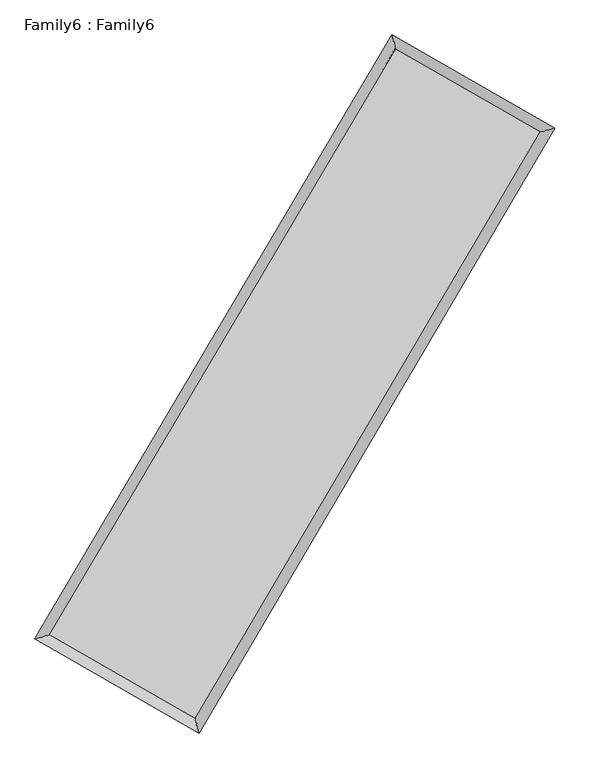
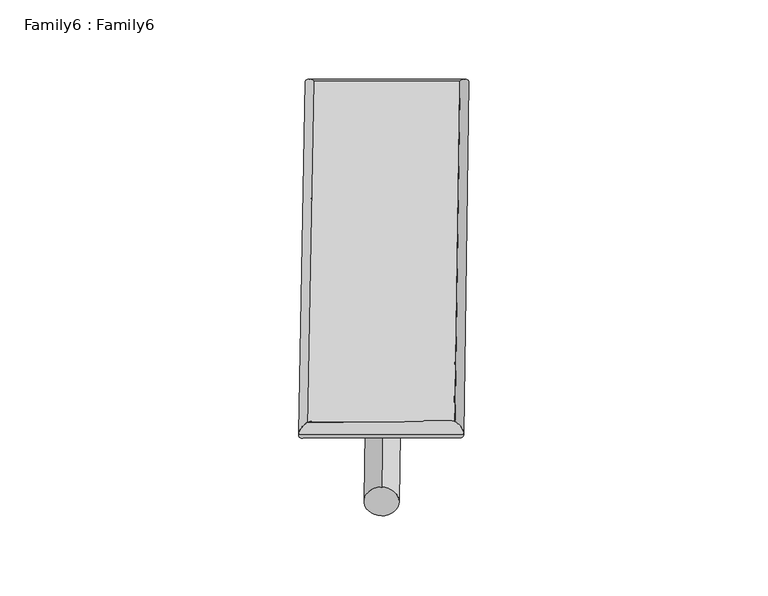
"""IFC4 building model written with IfcOpenShell, lengths in millimetres: plate geometry, Family6 : Family6."""

import ifcopenshell
import ifcopenshell.guid

model = None  # the IFC model being written
_history = None  # IfcOwnerHistory: only IFC2X3 demands one
_inside = {}  # id of a spatial element -> (the spatial element, [elements in it])
_under = {}  # id of a project, library or spatial element -> (it, [spatial elements below it])
_declared = {}  # id of a project -> (the project, [libraries it declares])
_typed = {}  # id of a type object -> (the type object, [elements of that type])
_made_of = {}  # id of a material, layer set ... -> (it, [elements and type objects made of it])


def new_model(schema):
    """Start an empty IFC model of exactly this schema.

    Asked for "IFC4X3", IfcOpenShell would pick the latest addendum, in which some entities
    have other attributes; the version numbers below select the first issue.
    IFC2X3 requires an IfcOwnerHistory on every rooted entity: one is made here for all.
    """
    global model, _history
    if schema == "IFC4X3":
        model = ifcopenshell.file(schema_version=(4, 3, 0, 0))
    else:
        model = ifcopenshell.file(schema=schema)
    _inside.clear()
    _under.clear()
    _declared.clear()
    _typed.clear()
    _made_of.clear()
    _history = None
    if model.schema == "IFC2X3":
        org = make("IfcOrganization", Name="unknown")
        user = make(
            "IfcPersonAndOrganization",
            ThePerson=make("IfcPerson", FamilyName="unknown"),
            TheOrganization=org,
        )
        app = make(
            "IfcApplication",
            ApplicationDeveloper=org,
            Version="unknown",
            ApplicationFullName="unknown",
            ApplicationIdentifier="unknown",
        )
        _history = make(
            "IfcOwnerHistory",
            OwningUser=user,
            OwningApplication=app,
            ChangeAction="ADDED",
            CreationDate=0,
        )
    return model


def make(cls, **values):
    """One entity of the class cls with the attributes given. An attribute that is None is left unset."""
    return model.create_entity(
        cls, **{name: value for name, value in values.items() if value is not None}
    )


def rooted(cls, **values):
    """An entity with a GlobalId (a new one), such as an element, a storey or a relation."""
    return make(cls, GlobalId=ifcopenshell.guid.new(), OwnerHistory=_history, **values)


def si_unit(unit_type, name, prefix=None):
    """IfcSIUnit, for example si_unit("LENGTHUNIT", "METRE", prefix="MILLI")."""
    return make("IfcSIUnit", UnitType=unit_type, Prefix=prefix, Name=name)


def assignment(units):
    """IfcUnitAssignment: the units of a project."""
    return None if units is None else make("IfcUnitAssignment", Units=units)


def point(xyz):
    """IfcCartesianPoint."""
    return None if xyz is None else make("IfcCartesianPoint", Coordinates=xyz)


def direction(xyz):
    """IfcDirection."""
    return None if xyz is None else make("IfcDirection", DirectionRatios=xyz)


def frame(location, z_axis=None, x_axis=None):
    """IfcAxis2Placement3D, a coordinate frame: its origin and axes. An axis left out is left unset."""
    return make(
        "IfcAxis2Placement3D",
        Location=point(location),
        Axis=direction(z_axis),
        RefDirection=direction(x_axis),
    )


def frame_2d(location, x_axis=None):
    """IfcAxis2Placement2D, a coordinate frame in the plane: its origin and x axis."""
    return make(
        "IfcAxis2Placement2D", Location=point(location), RefDirection=direction(x_axis)
    )


def origin():
    """The frame at (0, 0, 0) with its axes left unset."""
    return frame((0.0, 0.0, 0.0))


def origin_2d():
    """The frame at (0, 0) in the plane with its x axis left unset."""
    return frame_2d((0.0, 0.0))


def place(relative_to, where):
    """IfcLocalPlacement: puts the frame where relative to a parent placement (None: the world)."""
    return make(
        "IfcLocalPlacement", PlacementRelTo=relative_to, RelativePlacement=where
    )


def context(
    kind, dimensions, precision=None, world=None, true_north=None, identifier=None
):
    """IfcGeometricRepresentationContext, for example the 3D "Model" context."""
    return make(
        "IfcGeometricRepresentationContext",
        ContextIdentifier=identifier,
        ContextType=kind,
        CoordinateSpaceDimension=dimensions,
        Precision=precision,
        WorldCoordinateSystem=world,
        TrueNorth=true_north,
    )


def project(units=None, contexts=None):
    """IfcProject with its units and contexts."""
    return rooted(
        "IfcProject",
        Name="project",
        RepresentationContexts=contexts,
        UnitsInContext=assignment(units),
    )


def spatial(cls, under=None, at=None, **own):
    """A site, building, storey or space (cls), placed at a placement, below another one or the project."""
    s = rooted(cls, ObjectPlacement=at, **own)
    if under is not None:
        _under.setdefault(under.id(), (under, []))[1].append(s)
    return s


def circle_curve(where, radius):
    """IfcCircle in the frame where."""
    return make("IfcCircle", Position=where, Radius=radius)


def ellipse_curve(where, semi_axis1, semi_axis2):
    """IfcEllipse in the frame where."""
    return make(
        "IfcEllipse", Position=where, SemiAxis1=semi_axis1, SemiAxis2=semi_axis2
    )


def trimmed(basis, trim1, trim2, sense, master):
    """IfcTrimmedCurve: the piece of a basis curve between two trims."""
    return make(
        "IfcTrimmedCurve",
        BasisCurve=basis,
        Trim1=trim1,
        Trim2=trim2,
        SenseAgreement=sense,
        MasterRepresentation=master,
    )


def segment(curve, same_sense, transition):
    """IfcCompositeCurveSegment."""
    return make(
        "IfcCompositeCurveSegment",
        Transition=transition,
        SameSense=same_sense,
        ParentCurve=curve,
    )


def composite_curve(segments, self_intersect=None):
    """IfcCompositeCurve: segments joined end to end."""
    return make("IfcCompositeCurve", Segments=segments, SelfIntersect=self_intersect)


def outline(outer, holes=None, kind="AREA"):
    """IfcArbitraryClosedProfileDef: a profile drawn as a closed curve; with holes, ...WithVoids."""
    if holes is None:
        return make("IfcArbitraryClosedProfileDef", ProfileType=kind, OuterCurve=outer)
    return make(
        "IfcArbitraryProfileDefWithVoids",
        ProfileType=kind,
        OuterCurve=outer,
        InnerCurves=holes,
    )


def extrude(swept, where, along, depth):
    """IfcExtrudedAreaSolid: the profile swept, set in the frame where, extruded along a direction by depth."""
    return make(
        "IfcExtrudedAreaSolid",
        SweptArea=swept,
        Position=where,
        ExtrudedDirection=direction(along),
        Depth=depth,
    )


def shape(context_of_items, identifier, shape_type, items):
    """IfcShapeRepresentation: the items that make up one representation, for example the "Body"."""
    return make(
        "IfcShapeRepresentation",
        ContextOfItems=context_of_items,
        RepresentationIdentifier=identifier,
        RepresentationType=shape_type,
        Items=items,
    )


def source(mapping_origin, context_of_items, identifier, shape_type, items):
    """IfcRepresentationMap: a shape defined once, which mapped items show again and again."""
    return make(
        "IfcRepresentationMap",
        MappingOrigin=mapping_origin,
        MappedRepresentation=shape(context_of_items, identifier, shape_type, items),
    )


def transform(
    local_origin,
    x_axis=None,
    y_axis=None,
    z_axis=None,
    scale=None,
    scale2=None,
    scale3=None,
    uniform=True,
):
    """IfcCartesianTransformationOperator3D, or its non-uniform kind. x_axis, y_axis, z_axis: its Axis1, 2, 3."""
    if uniform:
        return make(
            "IfcCartesianTransformationOperator3D",
            Axis1=direction(x_axis),
            Axis2=direction(y_axis),
            LocalOrigin=point(local_origin),
            Scale=scale,
            Axis3=direction(z_axis),
        )
    return make(
        "IfcCartesianTransformationOperator3DnonUniform",
        Axis1=direction(x_axis),
        Axis2=direction(y_axis),
        LocalOrigin=point(local_origin),
        Scale=scale,
        Axis3=direction(z_axis),
        Scale2=scale2,
        Scale3=scale3,
    )


def mapped(mapping_source, mapping_target):
    """IfcMappedItem: shows the shape of a source again, moved by a transform."""
    return make(
        "IfcMappedItem", MappingSource=mapping_source, MappingTarget=mapping_target
    )


def made_of(thing, what):
    """Note that an element or type object is made of a material, layer set ...; save() writes the relation."""
    if what is not None:
        _made_of.setdefault(what.id(), (what, []))[1].append(thing)
    return thing


def element(
    cls,
    number,
    at=None,
    inside=None,
    cuts=None,
    type_object=None,
    material=None,
    context=None,
    identifier="Body",
    shape_type=None,
    held_by="IfcProductDefinitionShape",
    body=None,
    shapes=None,
    **own,
):
    """One element of the class cls, such as IfcWall. Its Tag is "e" and its number.

    at: its placement. inside: the storey or other place that contains it. cuts: it is an
    opening in that element (IfcRelVoidsElement). A single representation is given by context,
    identifier, shape_type and body (its items); several are given by shapes. held_by: the class
    of the entity that holds the representations. save() writes the other relations.
    """
    e = rooted(cls, Tag="e%d" % number, ObjectPlacement=at, **own)
    if body is not None:
        shapes = [shape(context, identifier, shape_type, body)]
    if shapes is not None:
        e.Representation = make(held_by, Representations=shapes)
    if inside is not None:
        _inside.setdefault(inside.id(), (inside, []))[1].append(e)
    if cuts is not None:
        rooted(
            "IfcRelVoidsElement", RelatingBuildingElement=cuts, RelatedOpeningElement=e
        )
    if type_object is not None:
        _typed.setdefault(type_object.id(), (type_object, []))[1].append(e)
    return made_of(e, material)


def aggregate(whole, parts):
    """IfcRelAggregates: a whole, such as a stair, and the parts it consists of."""
    return rooted("IfcRelAggregates", RelatingObject=whole, RelatedObjects=parts)


def save(model, path):
    """Write the relations noted so far, then the file.

    IfcRelAggregates (storeys below a building ...), IfcRelContainedInSpatialStructure (elements
    in a storey), IfcRelDefinesByType, IfcRelAssociatesMaterial and IfcRelDeclares: one each for
    every whole, place, type object, material and project.
    """
    for whole, parts in _under.values():
        aggregate(whole, parts)
    for where, things in _inside.values():
        rooted(
            "IfcRelContainedInSpatialStructure",
            RelatedElements=things,
            RelatingStructure=where,
        )
    for kind, things in _typed.values():
        rooted("IfcRelDefinesByType", RelatedObjects=things, RelatingType=kind)
    for what, things in _made_of.values():
        rooted("IfcRelAssociatesMaterial", RelatedObjects=things, RelatingMaterial=what)
    for by, libraries in _declared.values():
        rooted("IfcRelDeclares", RelatingContext=by, RelatedDefinitions=libraries)
    model.write(path)


def plane_surface(at):
    """IfcPlane: the flat surface through the origin of the frame at, square to its z axis."""
    return make("IfcPlane", Position=at)


def cylinder_surface(at, radius):
    """IfcCylindricalSurface: all points at the distance radius from the z axis of the frame at."""
    return make("IfcCylindricalSurface", Position=at, Radius=radius)


def spline_surface(u_degree, v_degree, points, u_multiplicities, v_multiplicities, u_knots, v_knots, weights=None):
    """IfcBSplineSurfaceWithKnots; with weights, IfcRationalBSplineSurfaceWithKnots. points: one row for each step in u."""
    own = dict(
        UDegree=u_degree,
        VDegree=v_degree,
        ControlPointsList=[[point(p) for p in row] for row in points],
        SurfaceForm="UNSPECIFIED",
        UClosed=False,
        VClosed=False,
        SelfIntersect=False,
        UMultiplicities=u_multiplicities,
        VMultiplicities=v_multiplicities,
        UKnots=u_knots,
        VKnots=v_knots,
        KnotSpec="UNSPECIFIED",
    )
    if weights is None:
        return make("IfcBSplineSurfaceWithKnots", **own)
    return make("IfcRationalBSplineSurfaceWithKnots", WeightsData=weights, **own)


def advanced_brep(points, edges, surfaces, faces):
    """IfcAdvancedBrep: a solid bounded by faces that lie on surfaces and meet in shared edges.

    An edge is (start, end): straight between two places in points (the first is 0);
    or (start, end, curve); or (start, end, curve, False) where it runs against its curve.
    A face is (place in surfaces, loops), or (place, loops, False) where it looks against
    its surface's normal. A loop lists edges by number (the first is 1), with a minus sign
    where the edge is run from its end to its start. The first loop is the outer one.
    """
    corners = [point(p) for p in points]
    vertices = [make("IfcVertexPoint", VertexGeometry=c) for c in corners]
    made = []
    for start, end, *more in edges:
        made.append(
            make(
                "IfcEdgeCurve",
                EdgeStart=vertices[start],
                EdgeEnd=vertices[end],
                EdgeGeometry=more[0] if more else make("IfcPolyline", Points=[corners[start], corners[end]]),
                SameSense=more[1] if len(more) > 1 else True,
            )
        )
    hull = []
    for where, loops, *sense in faces:
        bounds = []
        for j, loop in enumerate(loops):
            ring = [make("IfcOrientedEdge", EdgeElement=made[abs(k) - 1], Orientation=k > 0) for k in loop]
            bounds.append(
                make(
                    "IfcFaceOuterBound" if j == 0 else "IfcFaceBound",
                    Bound=make("IfcEdgeLoop", EdgeList=ring),
                    Orientation=True,
                )
            )
        hull.append(make("IfcAdvancedFace", Bounds=bounds, FaceSurface=surfaces[where], SameSense=sense[0] if sense else True))
    return make("IfcAdvancedBrep", Outer=make("IfcClosedShell", CfsFaces=hull))


def family6_family6_edda8ca1(model_context):
    return source(origin(), model_context, "Body", "SolidModel", [
        extrude(outline(composite_curve([segment(trimmed(circle_curve(origin_2d(), 76.2), [point((-75.4341514, -10.7763074))], [point((75.4341514, 10.7763074))], False, "CARTESIAN"), True, "CONTINUOUS"), segment(trimmed(circle_curve(origin_2d(), 76.2), [point((75.4341514, 10.7763074))], [point((-75.4341514, -10.7763074))], False, "CARTESIAN"), True, "CONTINUOUS")], self_intersect=False)), frame((9144.0, 9144.0, 0.0), z_axis=(0.6722322005501082, 0.6885372168706614, 0.2720668475348717), x_axis=(-0.6804029520478413, 0.7194297684340356, -0.1395443697736786)), (0.0, 0.0, 1.0), 5582.7553402),
        extrude(outline(composite_curve([segment(trimmed(circle_curve(origin_2d(), 76.2), [point((-53.8815367, 53.8815367))], [point((53.8815367, -53.8815367))], False, "CARTESIAN"), True, "CONTINUOUS"), segment(trimmed(circle_curve(origin_2d(), 76.2), [point((53.8815367, -53.8815367))], [point((-53.8815367, 53.8815367))], False, "CARTESIAN"), True, "CONTINUOUS")], self_intersect=False)), frame((9144.0, 9144.0, 0.0), z_axis=(-0.6738660834270728, -0.6869643054018673, 0.27200100130401644), x_axis=(0.6405510025457852, -0.35970417120185394, 0.6784595215321081)), (0.0, 0.0, 1.0), 5584.4633526),
        extrude(outline(composite_curve([segment(trimmed(circle_curve(origin_2d(), 76.2), [point((-53.8815367, -53.8815367))], [point((53.8815367, 53.8815367))], False, "CARTESIAN"), True, "CONTINUOUS"), segment(trimmed(circle_curve(origin_2d(), 76.2), [point((53.8815367, 53.8815367))], [point((-53.8815367, -53.8815367))], False, "CARTESIAN"), True, "CONTINUOUS")], self_intersect=False)), frame((9144.0, 9144.0, 0.0), z_axis=(0.27619680682727565, 0.920981489687001, 0.274787953797704), x_axis=(-0.8397252907855317, 0.37032201572851664, -0.39714360209113625)), (0.0, 0.0, 1.0), 5552.9565816),
        extrude(outline(composite_curve([segment(trimmed(circle_curve(origin_2d(), 76.2), [point((-75.4341514, 10.7763074))], [point((75.4341514, -10.7763074))], False, "CARTESIAN"), True, "CONTINUOUS"), segment(trimmed(circle_curve(origin_2d(), 76.2), [point((75.4341514, -10.7763074))], [point((-75.4341514, 10.7763074))], False, "CARTESIAN"), True, "CONTINUOUS")], self_intersect=False)), frame((9144.0, 9144.0, 0.0), z_axis=(-0.2740885580059574, -0.9216633986709795, 0.2746125305234159), x_axis=(0.8785145191180402, -0.12378097310024565, 0.46140059644213194)), (0.0, 0.0, 1.0), 5556.7990346),
        advanced_brep(
        [(5170.9960217, 5252.3541564, 1519.5343505), (5590.6447676, 5362.9941895, 1519.6743987), (5590.6430834, 5362.9918674, 1518.4248968), (10732.3625659, 14051.288542, 1525.1285431), (10623.0551866, 14465.0519073, 1526.64261), (5170.9943374, 5252.3518344, 1518.2848486), (12687.3335953, 12932.2931869, 1518.9594135), (13106.4822197, 13043.5764619, 1518.8058784), (7566.0446431, 4229.6972752, 1525.8357324), (7675.8452878, 3815.3061567, 1526.0975567)],
        [
            (0, 1, ellipse_curve(frame((5380.8195525, 5307.6730119, 1518.9796237), z_axis=(-0.2549368023500634, 0.9669566249911306, -0.001453338668974911), x_axis=(-0.9669540614450698, -0.25493968349391966, -0.0023666083124204945)), 216.9967051, 152.4)),
            (1, 2, ellipse_curve(frame((5380.8195525, 5307.6730119, 1518.9796237), z_axis=(-0.2549368023500634, 0.9669566249911306, -0.001453338668974911), x_axis=(-0.9669540614450698, -0.25493968349391966, -0.0023666083124204945)), 216.9967051, 152.4)),
            (2, 3),
            (3, 4, ellipse_curve(frame((10677.7088763, 14258.1702247, 1525.8855766), z_axis=(-0.9668289049327993, -0.2554207258045968, 0.0014565081178217613), x_axis=(0.2554168334465261, -0.9668279923628049, -0.0024237111745376424)), 213.9805709, 152.4)),
            (4, 0),
            (2, 5, ellipse_curve(frame((5380.8195525, 5307.6730119, 1518.9796237), z_axis=(-0.2549368023500634, 0.9669566249911306, -0.001453338668974911), x_axis=(-0.9669540614450698, -0.25493968349391966, -0.0023666083124204945)), 216.9967051, 152.4)),
            (5, 0, ellipse_curve(frame((5380.8195525, 5307.6730119, 1518.9796237), z_axis=(-0.2549368023500634, 0.9669566249911306, -0.001453338668974911), x_axis=(-0.9669540614450698, -0.25493968349391966, -0.0023666083124204945)), 216.9967051, 152.4)),
            (4, 3, ellipse_curve(frame((10677.7088763, 14258.1702247, 1525.8855766), z_axis=(-0.9668289049327993, -0.2554207258045968, 0.0014565081178217613), x_axis=(0.2554168334465261, -0.9668279923628049, -0.0024237111745376424)), 213.9805709, 152.4)),
            (3, 6),
            (6, 7, ellipse_curve(frame((12896.9079075, 12987.9348244, 1518.882646), z_axis=(-0.2566075072070799, 0.9665145856856378, 0.0014638653929006443), x_axis=(-0.9665119262975423, -0.2566104416745708, 0.002403653093974629)), 216.8354039, 152.4)),
            (7, 4),
            (7, 6, ellipse_curve(frame((12896.9079075, 12987.9348244, 1518.882646), z_axis=(-0.2566075072070799, 0.9665145856856378, 0.0014638653929006443), x_axis=(-0.9665119262975423, -0.2566104416745708, 0.002403653093974629)), 216.8354039, 152.4)),
            (6, 8),
            (8, 9, ellipse_curve(frame((7620.9449655, 4022.501716, 1525.9666445), z_axis=(0.9666411692890966, 0.2561304805327507, 0.0014236493495292583), x_axis=(-0.25612668396937766, 0.9666402246521485, -0.002407871112431675)), 214.3459994, 152.4)),
            (9, 7),
            (9, 8, ellipse_curve(frame((7620.9449655, 4022.501716, 1525.9666445), z_axis=(0.9666411692890966, 0.2561304805327507, 0.0014236493495292583), x_axis=(-0.25612668396937766, 0.9666402246521485, -0.002407871112431675)), 214.3459994, 152.4)),
            (8, 1),
            (5, 9),
        ],
        [
            cylinder_surface(frame((5380.8195525, 5307.6730119, 1518.9796237), z_axis=(-0.509296305779379, -0.8605909783474374, -0.0006640078900863331), x_axis=(-0.8605846223667398, 0.5092892165599041, 0.004312962055828787)), 152.4),
            cylinder_surface(frame((10677.7088763, 14258.1702247, 1525.8855766), z_axis=(-0.8678822342550836, 0.49676244522909113, 0.002738699402737723), x_axis=(0.4967684215211737, 0.8678801708374111, 0.0022681372506475252)), 152.4),
            cylinder_surface(frame((12896.9079075, 12987.9348244, 1518.882646), z_axis=(0.5071756024515852, 0.8618424708394021, -0.000680981134734036), x_axis=(0.8618427199127331, -0.5071756024515852, 0.0001855028138396586)), 152.4),
            cylinder_surface(frame((7620.9449655, 4022.501716, 1525.9666445), z_axis=(0.8673880902247957, -0.49762494078427627, 0.002705410436048027), x_axis=(-0.4976216775874425, -0.8673922789820973, -0.0018166885542692309)), 152.4),
        ],
        [
            (0, [[1, 2, 3, 4, 5]]),
            (0, [[6, 7, -5, 8, -3]]),
            (1, [[-4, 9, 10, 11]]),
            (1, [[-8, -11, 12, -9]]),
            (2, [[-10, 13, 14, 15]]),
            (2, [[-12, -15, 16, -13]]),
            (3, [[-14, 17, -1, -7, 18]]),
            (3, [[-16, -18, -6, -2, -17]]),
        ],
    ),
        extrude(outline(composite_curve([segment(trimmed(circle_curve(origin_2d(), 304.8), [point((0.0, -304.8))], [point((0.0, 304.8))], False, "CARTESIAN"), True, "CONTINUOUS"), segment(trimmed(circle_curve(origin_2d(), 304.8), [point((0.0, 304.8))], [point((0.0, -304.8))], False, "CARTESIAN"), True, "CONTINUOUS")], self_intersect=False)), frame((6492.6000713, 4642.3984306, -0.0001845), z_axis=(0.5075033991873767, 0.8616497547224491, 3.5320333836134305e-08), x_axis=(-0.86164975472245, 0.5075033991873769, 9.628658364335306e-09)), (0.0, 0.0, 1.0), 10448.7967291),
        advanced_brep(
        [(5380.8195525, 5307.6730119, 1518.9796237), (7620.9449655, 4022.501716, 1525.9666445), (7620.944246, 4022.5036697, 1678.3666445), (5380.818833, 5307.6749657, 1671.3796237), (12896.9079075, 12987.9348244, 1518.882646), (12896.907188, 12987.9367782, 1671.282646), (10677.7088763, 14258.1702247, 1525.8855766), (10677.7081568, 14258.1721784, 1678.2855766)],
        [
            (0, 1),
            (1, 2),
            (2, 3),
            (3, 0),
            (1, 4),
            (4, 5),
            (5, 2),
            (4, 6),
            (6, 7),
            (7, 5),
            (6, 0),
            (3, 7),
        ],
        [
            plane_surface(frame((6500.882259, 4665.0873639, 1522.4731341), z_axis=(-0.4976267824759943, -0.8673912527145224, 8.770461864277468e-06), x_axis=(0.8673880902247955, -0.49762494078427616, 0.0027054104360480277))),
            plane_surface(frame((10258.9264365, 8505.2182702, 1522.4246452), z_axis=(0.8618426742756462, -0.5071757138168776, 1.0570866522427653e-05), x_axis=(0.5071756024515851, 0.8618424708394022, -0.000680981134734035))),
            plane_surface(frame((11787.3083919, 13623.0525245, 1522.3841113), z_axis=(0.4967642873262957, 0.8678855009504964, -8.780870088632119e-06), x_axis=(-0.8678822342550835, 0.4967624452290913, 0.002738699402737723))),
            plane_surface(frame((8029.2642144, 9782.9216183, 1522.4326001), z_axis=(-0.8605911644372733, 0.5092964240796362, -1.0592145151876707e-05), x_axis=(-0.509296305779379, -0.8605909783474373, -0.0006640078900863335))),
            spline_surface(1, 1, [[(7620.944246, 4022.5036697, 1678.3666445), (5380.818833, 5307.6749657, 1671.3796237)], [(12896.907188, 12987.9367782, 1671.282646), (10677.7081568, 14258.1721784, 1678.2855766)]], [2, 2], [2, 2], [0.0, 1.0], [0.0, 1.0]),
            spline_surface(1, 1, [[(10677.7088763, 14258.1702247, 1525.8855766), (5380.8195525, 5307.6730119, 1518.9796237)], [(12896.9079075, 12987.9348244, 1518.882646), (7620.9449655, 4022.501716, 1525.9666445)]], [2, 2], [2, 2], [0.0, 1.0], [0.0, 1.0]),
        ],
        [
            (0, [[1, 2, 3, 4]]),
            (1, [[5, 6, 7, -2]]),
            (2, [[8, 9, 10, -6]]),
            (3, [[11, -4, 12, -9]]),
            (4, [[-3, -7, -10, -12]]),
            (5, [[-11, -8, -5, -1]]),
        ],
    ),
    ])


if __name__ == "__main__":
    model = new_model("IFC4")
    model_context = context("Model", 3, world=origin())
    ifc_project = project(units=[si_unit("LENGTHUNIT", "METRE", prefix="MILLI")], contexts=[model_context])
    site = spatial("IfcSite", under=ifc_project)
    building = spatial("IfcBuilding", under=site)
    placement = place(None, origin())
    family6_family6_shape = family6_family6_edda8ca1(model_context)
    element("IfcPlate", 1, ObjectType="Family6 : Family6", at=placement, inside=building, context=model_context, shape_type="MappedRepresentation", body=[
        mapped(family6_family6_shape, transform((0.0, 0.0, 0.0), x_axis=(1.0, 0.0, 0.0), y_axis=(0.0, 1.0, 0.0), z_axis=(0.0, 0.0, 1.0))),
    ])
    save(model, "model.ifc")
